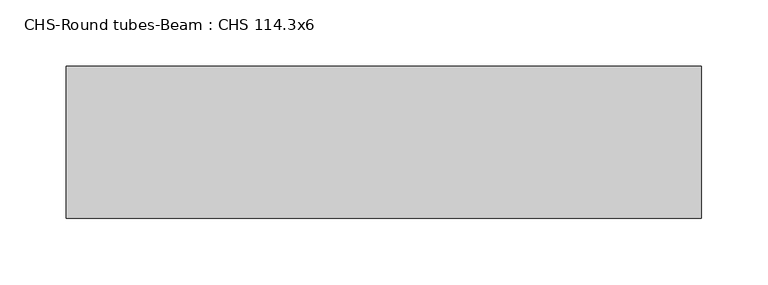
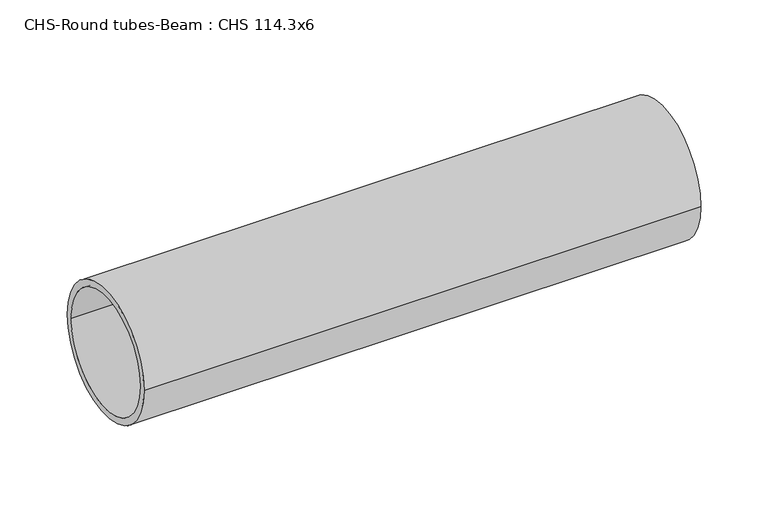
"""IFC4 building model written with IfcOpenShell, lengths in millimetres: beam geometry, CHS-Round tubes-Beam : CHS 114.3x6."""

from ifc_helpers import new_model, si_unit, point, frame, origin, origin_2d, place, context, project, spatial, circle_curve, trimmed, segment, composite_curve, outline, extrude, source, transform, mapped, element, save


def chs_round_tubes_beam_chs_114_3x6_635bc0de(model_context):
    return source(origin(), model_context, "Body", "SweptSolid", [
        extrude(outline(composite_curve([segment(trimmed(circle_curve(origin_2d(), 57.15), [point((57.15, 0.0))], [point((-57.15, 0.0))], False, "CARTESIAN"), True, "CONTINUOUS"), segment(trimmed(circle_curve(origin_2d(), 57.15), [point((-57.15, 0.0))], [point((57.15, 0.0))], False, "CARTESIAN"), True, "CONTINUOUS")], self_intersect=False), holes=[composite_curve([segment(trimmed(circle_curve(origin_2d(), 51.15), [point((51.15, 0.0))], [point((-51.15, 0.0))], True, "CARTESIAN"), True, "CONTINUOUS"), segment(trimmed(circle_curve(origin_2d(), 51.15), [point((-51.15, 0.0))], [point((51.15, 0.0))], True, "CARTESIAN"), True, "CONTINUOUS")], self_intersect=False)]), frame((72.9720961, 0.0, 0.0), z_axis=(1.0, 0.0, 0.0), x_axis=(0.0, 1.0, 0.0)), (0.0, 0.0, 1.0), 477.903664),
    ])


if __name__ == "__main__":
    model = new_model("IFC4")
    model_context = context("Model", 3, world=origin())
    ifc_project = project(units=[si_unit("LENGTHUNIT", "METRE", prefix="MILLI")], contexts=[model_context])
    site = spatial("IfcSite", under=ifc_project)
    building = spatial("IfcBuilding", under=site)
    placement = place(None, origin())
    chs_round_tubes_beam_chs_114_3x6_shape = chs_round_tubes_beam_chs_114_3x6_635bc0de(model_context)
    element("IfcBeam", 1, ObjectType="CHS-Round tubes-Beam : CHS 114.3x6", at=placement, inside=building, context=model_context, shape_type="MappedRepresentation", body=[
        mapped(chs_round_tubes_beam_chs_114_3x6_shape, transform((0.0, 0.0, 0.0), x_axis=(1.0, 0.0, 0.0), y_axis=(0.0, 1.0, 0.0), z_axis=(0.0, 0.0, 1.0))),
    ])
    save(model, "model.ifc")
